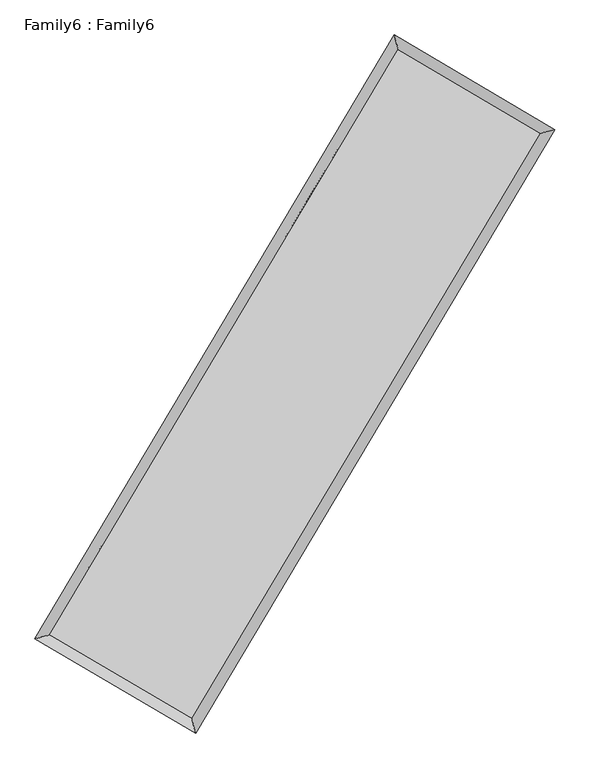
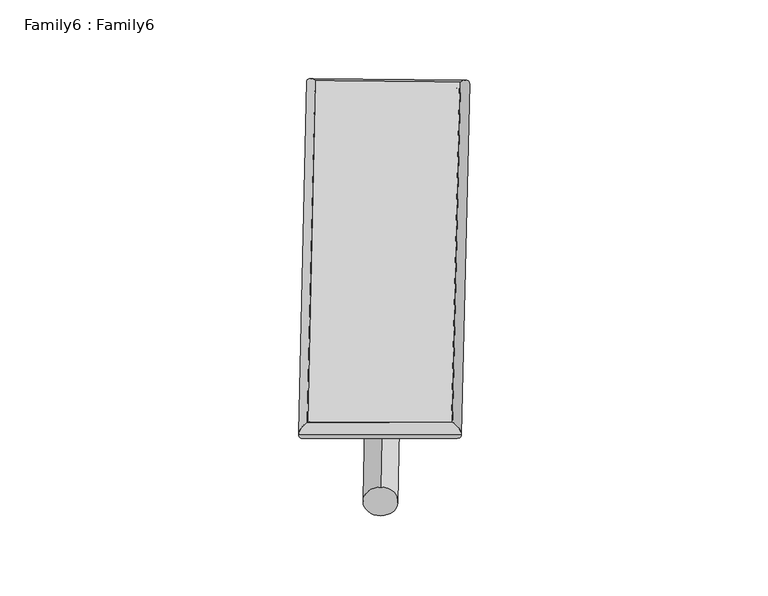
"""IFC4 building model written with IfcOpenShell, lengths in millimetres: plate geometry, Family6 : Family6."""

from ifc_helpers import new_model, si_unit, point, frame, origin, origin_2d, place, context, project, spatial, circle_curve, ellipse_curve, trimmed, segment, composite_curve, outline, extrude, source, transform, mapped, element, save
from ifc_brep_helpers import plane_surface, cylinder_surface, spline_surface, advanced_brep


def family6_family6_4d08f7cf(model_context):
    return source(origin(), model_context, "Body", "SolidModel", [
        extrude(outline(composite_curve([segment(trimmed(circle_curve(origin_2d(), 76.2), [point((-75.4341514, -10.7763074))], [point((75.4341514, 10.7763074))], False, "CARTESIAN"), True, "CONTINUOUS"), segment(trimmed(circle_curve(origin_2d(), 76.2), [point((75.4341514, 10.7763074))], [point((-75.4341514, -10.7763074))], False, "CARTESIAN"), True, "CONTINUOUS")], self_intersect=False)), frame((9144.0, 9144.0, 0.0), z_axis=(0.674069603651349, 0.6869058682783257, 0.27164406409511854), x_axis=(-0.678834788414003, 0.7210487134840066, -0.13882392741157806)), (0.0, 0.0, 1.0), 5576.2274027),
        extrude(outline(composite_curve([segment(trimmed(circle_curve(origin_2d(), 76.2), [point((-53.8815367, 53.8815367))], [point((53.8815367, -53.8815367))], False, "CARTESIAN"), True, "CONTINUOUS"), segment(trimmed(circle_curve(origin_2d(), 76.2), [point((53.8815367, -53.8815367))], [point((-53.8815367, 53.8815367))], False, "CARTESIAN"), True, "CONTINUOUS")], self_intersect=False)), frame((9144.0, 9144.0, 0.0), z_axis=(-0.6738981973673853, -0.6870864093232744, 0.27161274953182657), x_axis=(0.6403892960656552, -0.3598692155084038, 0.678524647462346)), (0.0, 0.0, 1.0), 5576.9138349),
        extrude(outline(composite_curve([segment(trimmed(circle_curve(origin_2d(), 76.2), [point((-53.8815367, -53.8815367))], [point((53.8815367, 53.8815367))], False, "CARTESIAN"), True, "CONTINUOUS"), segment(trimmed(circle_curve(origin_2d(), 76.2), [point((53.8815367, 53.8815367))], [point((-53.8815367, -53.8815367))], False, "CARTESIAN"), True, "CONTINUOUS")], self_intersect=False)), frame((9144.0, 9144.0, 0.0), z_axis=(0.28179687181825835, 0.9193030474653596, 0.2747224598651277), x_axis=(-0.8385859036717164, 0.37511068284125093, -0.3950514621938027)), (0.0, 0.0, 1.0), 5569.6301997),
        extrude(outline(composite_curve([segment(trimmed(circle_curve(origin_2d(), 76.2), [point((-75.4341514, 10.7763073))], [point((75.4341514, -10.7763073))], False, "CARTESIAN"), True, "CONTINUOUS"), segment(trimmed(circle_curve(origin_2d(), 76.2), [point((75.4341514, -10.7763073))], [point((-75.4341514, 10.7763073))], False, "CARTESIAN"), True, "CONTINUOUS")], self_intersect=False)), frame((9144.0, 9144.0, 0.0), z_axis=(-0.28188685155599824, -0.9192278530080854, 0.274881714877495), x_axis=(0.8760849620227245, -0.12979751158710293, 0.46435734655913163)), (0.0, 0.0, 1.0), 5566.3071124),
        advanced_brep(
        [(5176.3617666, 5258.3667181, 1515.9899513), (5595.1019916, 5366.0012603, 1516.3150183), (5595.093873, 5365.989878, 1513.5318499), (10766.8637534, 14055.8593002, 1528.424229), (10660.1449815, 14472.4967314, 1531.780789), (5176.3536479, 5258.3553358, 1513.2067829), (12693.4846349, 12920.762838, 1514.912707), (13112.0461556, 13027.9238136, 1514.585441), (7521.4691318, 4235.3817491, 1529.7914226), (7628.3932948, 3819.2091786, 1530.3606666)],
        [
            (0, 1, ellipse_curve(frame((5385.7278198, 5312.1782981, 1514.7609006), z_axis=(-0.24894731359665648, 0.968511627059966, -0.003234702871270846), x_axis=(-0.9684988742909173, -0.2489617080441051, -0.005291353795335208)), 216.1875129, 152.4)),
            (1, 2, ellipse_curve(frame((5385.7278198, 5312.1782981, 1514.7609006), z_axis=(-0.24894731359665648, 0.968511627059966, -0.003234702871270846), x_axis=(-0.9684988742909173, -0.2489617080441051, -0.005291353795335208)), 216.1875129, 152.4)),
            (2, 3),
            (3, 4, ellipse_curve(frame((10713.5043675, 14264.1780158, 1530.102509), z_axis=(-0.9687148402916691, -0.24815552328843696, 0.0032240440642310473), x_axis=(0.248136660699737, -0.968710398002651, -0.005325637833094352)), 215.0511789, 152.4)),
            (4, 0),
            (2, 5, ellipse_curve(frame((5385.7278198, 5312.1782981, 1514.7609006), z_axis=(-0.24894731359665648, 0.968511627059966, -0.003234702871270846), x_axis=(-0.9684988742909173, -0.2489617080441051, -0.005291353795335208)), 216.1875129, 152.4)),
            (5, 0, ellipse_curve(frame((5385.7278198, 5312.1782981, 1514.7609006), z_axis=(-0.24894731359665648, 0.968511627059966, -0.003234702871270846), x_axis=(-0.9684988742909173, -0.2489617080441051, -0.005291353795335208)), 216.1875129, 152.4)),
            (4, 3, ellipse_curve(frame((10713.5043675, 14264.1780158, 1530.102509), z_axis=(-0.9687148402916691, -0.24815552328843696, 0.0032240440642310473), x_axis=(0.248136660699737, -0.968710398002651, -0.005325637833094352)), 215.0511789, 152.4)),
            (3, 6),
            (6, 7, ellipse_curve(frame((12902.7653952, 12974.3433258, 1514.749074), z_axis=(-0.2480187725096529, 0.9687498104116695, 0.0032393379199666924), x_axis=(-0.9687370234417967, -0.2480332240149587, 0.005300867652875469)), 216.0331099, 152.4)),
            (7, 4),
            (7, 6, ellipse_curve(frame((12902.7653952, 12974.3433258, 1514.749074), z_axis=(-0.2480187725096529, 0.9687498104116695, 0.0032393379199666924), x_axis=(-0.9687370234417967, -0.2480332240149587, 0.005300867652875469)), 216.0331099, 152.4)),
            (6, 8),
            (8, 9, ellipse_curve(frame((7574.9312133, 4027.2954638, 1530.0760446), z_axis=(0.9685382859623566, 0.24884382871666838, 0.0032152036840067694), x_axis=(-0.2488250095552304, 0.9685338257081039, -0.005323821847500447)), 214.8462384, 152.4)),
            (9, 7),
            (9, 8, ellipse_curve(frame((7574.9312133, 4027.2954638, 1530.0760446), z_axis=(0.9685382859623566, 0.24884382871666838, 0.0032152036840067694), x_axis=(-0.2488250095552304, 0.9685338257081039, -0.005323821847500447)), 214.8462384, 152.4)),
            (8, 1),
            (5, 9),
        ],
        [
            cylinder_surface(frame((5385.7278198, 5312.1782981, 1514.7609006), z_axis=(-0.5114269752415739, -0.8593254797848948, -0.0014726804524583027), x_axis=(-0.8592944456697109, 0.5113921454464022, 0.009546162417966532)), 152.4),
            cylinder_surface(frame((10713.5043675, 14264.1780158, 1530.102509), z_axis=(-0.861568442836677, 0.5076054665524676, 0.006042237502434756), x_axis=(0.5076344087474339, 0.8615580880511605, 0.004996795900588907)), 152.4),
            cylinder_surface(frame((12902.7653952, 12974.3433258, 1514.749074), z_axis=(0.5116400364989703, 0.8591986421329636, -0.001471872346389446), x_axis=(0.8591998073705853, -0.5116400364989703, 0.00040505022108050005)), 152.4),
            cylinder_surface(frame((7574.9312133, 4027.2954638, 1530.0760446), z_axis=(0.8624145978557898, -0.5061666339671971, 0.006033246518618819), x_axis=(-0.5061500583282347, -0.8624355528379997, -0.004127427205757743)), 152.4),
        ],
        [
            (0, [[1, 2, 3, 4, 5]]),
            (0, [[6, 7, -5, 8, -3]]),
            (1, [[-4, 9, 10, 11]]),
            (1, [[-8, -11, 12, -9]]),
            (2, [[-10, 13, 14, 15]]),
            (2, [[-12, -15, 16, -13]]),
            (3, [[-14, 17, -1, -7, 18]]),
            (3, [[-16, -18, -6, -2, -17]]),
        ],
    ),
        extrude(outline(composite_curve([segment(trimmed(circle_curve(origin_2d(), 304.8), [point((0.0, 304.8))], [point((0.0, -304.8))], False, "CARTESIAN"), True, "CONTINUOUS"), segment(trimmed(circle_curve(origin_2d(), 304.8), [point((0.0, -304.8))], [point((0.0, 304.8))], False, "CARTESIAN"), True, "CONTINUOUS")], self_intersect=False)), frame((11808.4408326, 13637.799611, -2.25e-05), z_axis=(-0.5100075730345397, -0.8601699108010107, 4.307173030448057e-09), x_axis=(-0.8601699108010107, 0.5100075730345397, -1.1809087176088749e-09)), (0.0, 0.0, 1.0), 10448.6324261),
        advanced_brep(
        [(5385.7278198, 5312.1782981, 1514.7609006), (7574.9312133, 4027.2954638, 1530.0760446), (7574.9325251, 4027.2945051, 1682.4760446), (5385.7291316, 5312.1773393, 1667.1609006), (12902.7653952, 12974.3433258, 1514.749074), (12902.7667071, 12974.3423671, 1667.149074), (10713.5043675, 14264.1780158, 1530.102509), (10713.5056793, 14264.1770571, 1682.502509)],
        [
            (0, 1),
            (1, 2),
            (2, 3),
            (3, 0),
            (1, 4),
            (4, 5),
            (5, 2),
            (4, 6),
            (6, 7),
            (7, 5),
            (6, 0),
            (3, 7),
        ],
        [
            plane_surface(frame((6480.3295165, 4669.736881, 1522.4184726), z_axis=(-0.5061758409080537, -0.8624302975196798, -1.068384821862646e-06), x_axis=(0.8624145978557898, -0.5061666339671967, 0.006033246518618814))),
            plane_surface(frame((10238.8483043, 8500.8193948, 1522.4125593), z_axis=(0.8591995647800874, -0.5116406041051087, -1.0614517907503278e-05), x_axis=(0.5116400364989702, 0.8591986421329636, -0.0014718723463894522))),
            plane_surface(frame((11808.1348813, 13619.2606708, 1522.4257915), z_axis=(0.5076147382668287, 0.8615841673877227, 1.0506761264701854e-06), x_axis=(-0.8615684428366769, 0.5076054665524674, 0.006042237502434749))),
            plane_surface(frame((8049.6160936, 9788.1781569, 1522.4317048), z_axis=(-0.8593264195796262, 0.5114275163694243, 1.0614269338988331e-05), x_axis=(-0.5114269752415738, -0.8593254797848949, -0.0014726804524583077))),
            spline_surface(1, 1, [[(7574.9325251, 4027.2945051, 1682.4760446), (5385.7291316, 5312.1773393, 1667.1609006)], [(12902.7667071, 12974.3423671, 1667.149074), (10713.5056793, 14264.1770571, 1682.502509)]], [2, 2], [2, 2], [0.0, 1.0], [0.0, 1.0]),
            spline_surface(1, 1, [[(10713.5043675, 14264.1780158, 1530.102509), (5385.7278198, 5312.1782981, 1514.7609006)], [(12902.7653952, 12974.3433258, 1514.749074), (7574.9312133, 4027.2954638, 1530.0760446)]], [2, 2], [2, 2], [0.0, 1.0], [0.0, 1.0]),
        ],
        [
            (0, [[1, 2, 3, 4]]),
            (1, [[5, 6, 7, -2]]),
            (2, [[8, 9, 10, -6]]),
            (3, [[11, -4, 12, -9]]),
            (4, [[-3, -7, -10, -12]]),
            (5, [[-11, -8, -5, -1]]),
        ],
    ),
    ])


if __name__ == "__main__":
    model = new_model("IFC4")
    model_context = context("Model", 3, world=origin())
    ifc_project = project(units=[si_unit("LENGTHUNIT", "METRE", prefix="MILLI")], contexts=[model_context])
    site = spatial("IfcSite", under=ifc_project)
    building = spatial("IfcBuilding", under=site)
    placement = place(None, origin())
    family6_family6_shape = family6_family6_4d08f7cf(model_context)
    element("IfcPlate", 1, ObjectType="Family6 : Family6", at=placement, inside=building, context=model_context, shape_type="MappedRepresentation", body=[
        mapped(family6_family6_shape, transform((0.0, 0.0, 0.0), x_axis=(1.0, 0.0, 0.0), y_axis=(0.0, 1.0, 0.0), z_axis=(0.0, 0.0, 1.0))),
    ])
    save(model, "model.ifc")
